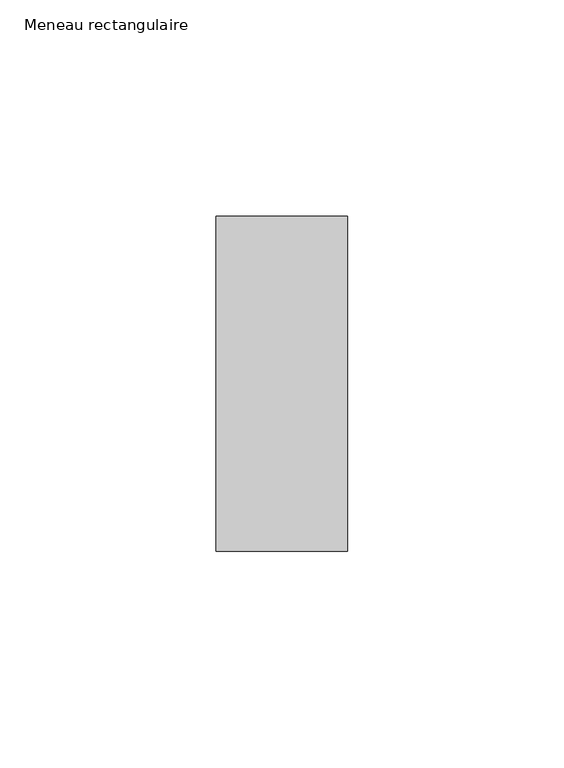
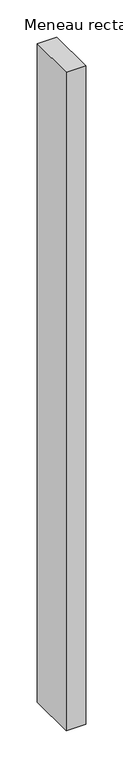
"""IFC4 building model written with IfcOpenShell, lengths in millimetres: member geometry, Meneau rectangulaire."""

from ifc_helpers import new_model, si_unit, frame, origin, place, context, project, spatial, polyline, outline, extrude, source, transform, mapped, element, save


def meneau_rectangulaire_81fa836c(model_context):
    return source(origin(), model_context, "Body", "SweptSolid", [
        extrude(outline(polyline([(-15.25, 38.75), (15.25, 38.75), (15.25, -38.75), (-15.25, -38.75), (-15.25, 38.75)])), frame((0.0, 0.0, -1079.3750002), z_axis=(0.0, 0.0, 1.0), x_axis=(1.0, 0.0, 0.0)), (0.0, 0.0, 1.0), 1079.3750002),
    ])


if __name__ == "__main__":
    model = new_model("IFC4")
    model_context = context("Model", 3, world=origin())
    ifc_project = project(units=[si_unit("LENGTHUNIT", "METRE", prefix="MILLI")], contexts=[model_context])
    site = spatial("IfcSite", under=ifc_project)
    building = spatial("IfcBuilding", under=site)
    placement = place(None, origin())
    meneau_rectangulaire_shape = meneau_rectangulaire_81fa836c(model_context)
    element("IfcMember", 1, ObjectType="Meneau rectangulaire", at=placement, inside=building, context=model_context, shape_type="MappedRepresentation", body=[
        mapped(meneau_rectangulaire_shape, transform((0.0, 0.0, 0.0), x_axis=(1.0, 0.0, 0.0), y_axis=(0.0, 1.0, 0.0), z_axis=(0.0, 0.0, 1.0))),
    ])
    save(model, "model.ifc")
